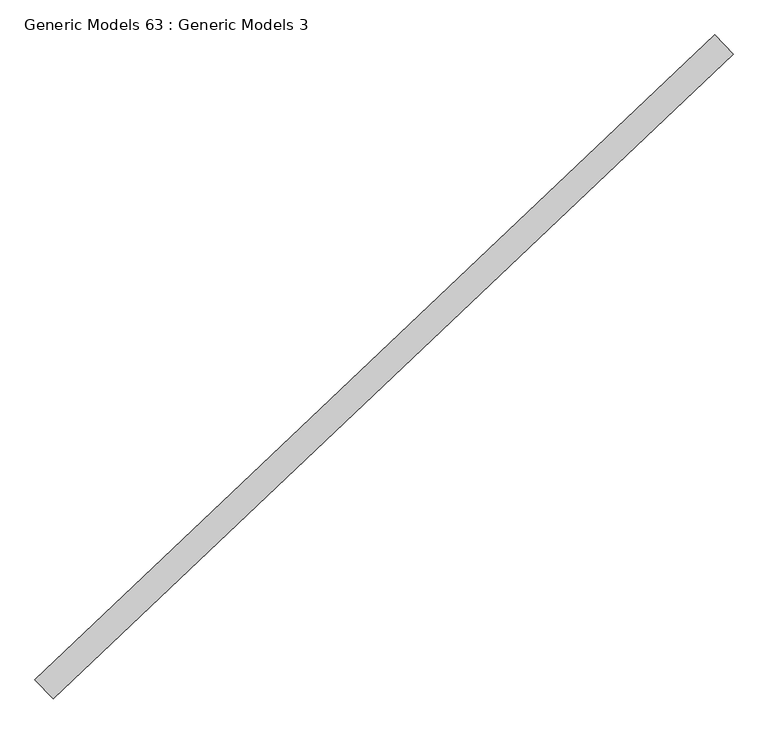
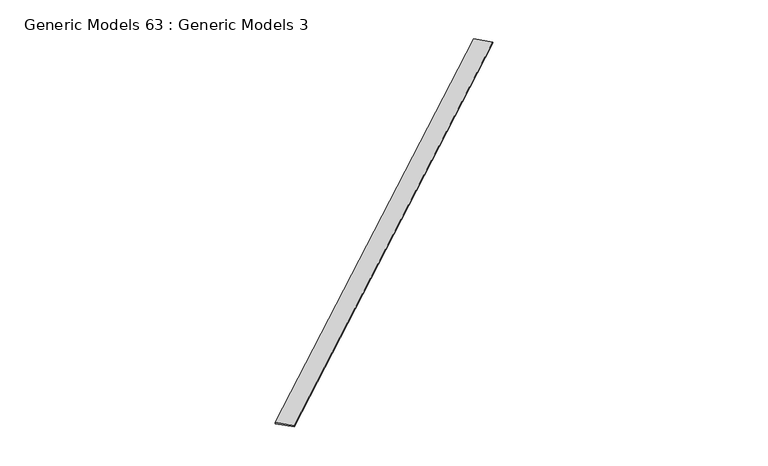
"""IFC4 building model written with IfcOpenShell, lengths in millimetres: proxy geometry, Generic Models 63 : Generic Models 3."""

import ifcopenshell
import ifcopenshell.guid

model = None  # the IFC model being written
_history = None  # IfcOwnerHistory: only IFC2X3 demands one
_inside = {}  # id of a spatial element -> (the spatial element, [elements in it])
_under = {}  # id of a project, library or spatial element -> (it, [spatial elements below it])
_declared = {}  # id of a project -> (the project, [libraries it declares])
_typed = {}  # id of a type object -> (the type object, [elements of that type])
_made_of = {}  # id of a material, layer set ... -> (it, [elements and type objects made of it])


def new_model(schema):
    """Start an empty IFC model of exactly this schema.

    Asked for "IFC4X3", IfcOpenShell would pick the latest addendum, in which some entities
    have other attributes; the version numbers below select the first issue.
    IFC2X3 requires an IfcOwnerHistory on every rooted entity: one is made here for all.
    """
    global model, _history
    if schema == "IFC4X3":
        model = ifcopenshell.file(schema_version=(4, 3, 0, 0))
    else:
        model = ifcopenshell.file(schema=schema)
    _inside.clear()
    _under.clear()
    _declared.clear()
    _typed.clear()
    _made_of.clear()
    _history = None
    if model.schema == "IFC2X3":
        org = make("IfcOrganization", Name="unknown")
        user = make(
            "IfcPersonAndOrganization",
            ThePerson=make("IfcPerson", FamilyName="unknown"),
            TheOrganization=org,
        )
        app = make(
            "IfcApplication",
            ApplicationDeveloper=org,
            Version="unknown",
            ApplicationFullName="unknown",
            ApplicationIdentifier="unknown",
        )
        _history = make(
            "IfcOwnerHistory",
            OwningUser=user,
            OwningApplication=app,
            ChangeAction="ADDED",
            CreationDate=0,
        )
    return model


def make(cls, **values):
    """One entity of the class cls with the attributes given. An attribute that is None is left unset."""
    return model.create_entity(
        cls, **{name: value for name, value in values.items() if value is not None}
    )


def rooted(cls, **values):
    """An entity with a GlobalId (a new one), such as an element, a storey or a relation."""
    return make(cls, GlobalId=ifcopenshell.guid.new(), OwnerHistory=_history, **values)


def si_unit(unit_type, name, prefix=None):
    """IfcSIUnit, for example si_unit("LENGTHUNIT", "METRE", prefix="MILLI")."""
    return make("IfcSIUnit", UnitType=unit_type, Prefix=prefix, Name=name)


def assignment(units):
    """IfcUnitAssignment: the units of a project."""
    return None if units is None else make("IfcUnitAssignment", Units=units)


def point(xyz):
    """IfcCartesianPoint."""
    return None if xyz is None else make("IfcCartesianPoint", Coordinates=xyz)


def direction(xyz):
    """IfcDirection."""
    return None if xyz is None else make("IfcDirection", DirectionRatios=xyz)


def frame(location, z_axis=None, x_axis=None):
    """IfcAxis2Placement3D, a coordinate frame: its origin and axes. An axis left out is left unset."""
    return make(
        "IfcAxis2Placement3D",
        Location=point(location),
        Axis=direction(z_axis),
        RefDirection=direction(x_axis),
    )


def origin():
    """The frame at (0, 0, 0) with its axes left unset."""
    return frame((0.0, 0.0, 0.0))


def place(relative_to, where):
    """IfcLocalPlacement: puts the frame where relative to a parent placement (None: the world)."""
    return make(
        "IfcLocalPlacement", PlacementRelTo=relative_to, RelativePlacement=where
    )


def context(
    kind, dimensions, precision=None, world=None, true_north=None, identifier=None
):
    """IfcGeometricRepresentationContext, for example the 3D "Model" context."""
    return make(
        "IfcGeometricRepresentationContext",
        ContextIdentifier=identifier,
        ContextType=kind,
        CoordinateSpaceDimension=dimensions,
        Precision=precision,
        WorldCoordinateSystem=world,
        TrueNorth=true_north,
    )


def project(units=None, contexts=None):
    """IfcProject with its units and contexts."""
    return rooted(
        "IfcProject",
        Name="project",
        RepresentationContexts=contexts,
        UnitsInContext=assignment(units),
    )


def spatial(cls, under=None, at=None, **own):
    """A site, building, storey or space (cls), placed at a placement, below another one or the project."""
    s = rooted(cls, ObjectPlacement=at, **own)
    if under is not None:
        _under.setdefault(under.id(), (under, []))[1].append(s)
    return s


def polyline(points):
    """IfcPolyline through the points."""
    return make("IfcPolyline", Points=[point(p) for p in points])


def outline(outer, holes=None, kind="AREA"):
    """IfcArbitraryClosedProfileDef: a profile drawn as a closed curve; with holes, ...WithVoids."""
    if holes is None:
        return make("IfcArbitraryClosedProfileDef", ProfileType=kind, OuterCurve=outer)
    return make(
        "IfcArbitraryProfileDefWithVoids",
        ProfileType=kind,
        OuterCurve=outer,
        InnerCurves=holes,
    )


def extrude(swept, where, along, depth):
    """IfcExtrudedAreaSolid: the profile swept, set in the frame where, extruded along a direction by depth."""
    return make(
        "IfcExtrudedAreaSolid",
        SweptArea=swept,
        Position=where,
        ExtrudedDirection=direction(along),
        Depth=depth,
    )


def shape(context_of_items, identifier, shape_type, items):
    """IfcShapeRepresentation: the items that make up one representation, for example the "Body"."""
    return make(
        "IfcShapeRepresentation",
        ContextOfItems=context_of_items,
        RepresentationIdentifier=identifier,
        RepresentationType=shape_type,
        Items=items,
    )


def source(mapping_origin, context_of_items, identifier, shape_type, items):
    """IfcRepresentationMap: a shape defined once, which mapped items show again and again."""
    return make(
        "IfcRepresentationMap",
        MappingOrigin=mapping_origin,
        MappedRepresentation=shape(context_of_items, identifier, shape_type, items),
    )


def transform(
    local_origin,
    x_axis=None,
    y_axis=None,
    z_axis=None,
    scale=None,
    scale2=None,
    scale3=None,
    uniform=True,
):
    """IfcCartesianTransformationOperator3D, or its non-uniform kind. x_axis, y_axis, z_axis: its Axis1, 2, 3."""
    if uniform:
        return make(
            "IfcCartesianTransformationOperator3D",
            Axis1=direction(x_axis),
            Axis2=direction(y_axis),
            LocalOrigin=point(local_origin),
            Scale=scale,
            Axis3=direction(z_axis),
        )
    return make(
        "IfcCartesianTransformationOperator3DnonUniform",
        Axis1=direction(x_axis),
        Axis2=direction(y_axis),
        LocalOrigin=point(local_origin),
        Scale=scale,
        Axis3=direction(z_axis),
        Scale2=scale2,
        Scale3=scale3,
    )


def mapped(mapping_source, mapping_target):
    """IfcMappedItem: shows the shape of a source again, moved by a transform."""
    return make(
        "IfcMappedItem", MappingSource=mapping_source, MappingTarget=mapping_target
    )


def made_of(thing, what):
    """Note that an element or type object is made of a material, layer set ...; save() writes the relation."""
    if what is not None:
        _made_of.setdefault(what.id(), (what, []))[1].append(thing)
    return thing


def element(
    cls,
    number,
    at=None,
    inside=None,
    cuts=None,
    type_object=None,
    material=None,
    context=None,
    identifier="Body",
    shape_type=None,
    held_by="IfcProductDefinitionShape",
    body=None,
    shapes=None,
    **own,
):
    """One element of the class cls, such as IfcWall. Its Tag is "e" and its number.

    at: its placement. inside: the storey or other place that contains it. cuts: it is an
    opening in that element (IfcRelVoidsElement). A single representation is given by context,
    identifier, shape_type and body (its items); several are given by shapes. held_by: the class
    of the entity that holds the representations. save() writes the other relations.
    """
    e = rooted(cls, Tag="e%d" % number, ObjectPlacement=at, **own)
    if body is not None:
        shapes = [shape(context, identifier, shape_type, body)]
    if shapes is not None:
        e.Representation = make(held_by, Representations=shapes)
    if inside is not None:
        _inside.setdefault(inside.id(), (inside, []))[1].append(e)
    if cuts is not None:
        rooted(
            "IfcRelVoidsElement", RelatingBuildingElement=cuts, RelatedOpeningElement=e
        )
    if type_object is not None:
        _typed.setdefault(type_object.id(), (type_object, []))[1].append(e)
    return made_of(e, material)


def aggregate(whole, parts):
    """IfcRelAggregates: a whole, such as a stair, and the parts it consists of."""
    return rooted("IfcRelAggregates", RelatingObject=whole, RelatedObjects=parts)


def save(model, path):
    """Write the relations noted so far, then the file.

    IfcRelAggregates (storeys below a building ...), IfcRelContainedInSpatialStructure (elements
    in a storey), IfcRelDefinesByType, IfcRelAssociatesMaterial and IfcRelDeclares: one each for
    every whole, place, type object, material and project.
    """
    for whole, parts in _under.values():
        aggregate(whole, parts)
    for where, things in _inside.values():
        rooted(
            "IfcRelContainedInSpatialStructure",
            RelatedElements=things,
            RelatingStructure=where,
        )
    for kind, things in _typed.values():
        rooted("IfcRelDefinesByType", RelatedObjects=things, RelatingType=kind)
    for what, things in _made_of.values():
        rooted("IfcRelAssociatesMaterial", RelatedObjects=things, RelatingMaterial=what)
    for by, libraries in _declared.values():
        rooted("IfcRelDeclares", RelatingContext=by, RelatedDefinitions=libraries)
    model.write(path)


def generic_models_63_generic_models_3_7dfe2802(model_context):
    return source(origin(), model_context, "Body", "SweptSolid", [
        extrude(outline(polyline([(116050.8408864, 52967.2787699), (116213.7149116, 52795.6453592), (110177.3851427, 47067.3822955), (110014.5111175, 47239.0157062), (116050.8408864, 52967.2787699)])), frame((0.0, 0.0, 18262.6), z_axis=(0.0, 0.0, 1.0), x_axis=(1.0, 0.0, 0.0)), (0.0, 0.0, 1.0), 19.05),
    ])


if __name__ == "__main__":
    model = new_model("IFC4")
    model_context = context("Model", 3, world=origin())
    ifc_project = project(units=[si_unit("LENGTHUNIT", "METRE", prefix="MILLI")], contexts=[model_context])
    site = spatial("IfcSite", under=ifc_project)
    building = spatial("IfcBuilding", under=site)
    placement = place(None, origin())
    generic_models_63_generic_models_3_shape = generic_models_63_generic_models_3_7dfe2802(model_context)
    element("IfcBuildingElementProxy", 1, Name="Generic Models 63 : Generic Models 3", ObjectType="Generic Models 63 : Generic Models 3", at=placement, inside=building, context=model_context, shape_type="MappedRepresentation", body=[
        mapped(generic_models_63_generic_models_3_shape, transform((0.0, 0.0, 0.0), x_axis=(1.0, 0.0, 0.0), y_axis=(0.0, 1.0, 0.0), z_axis=(0.0, 0.0, 1.0))),
    ])
    save(model, "model.ifc")
